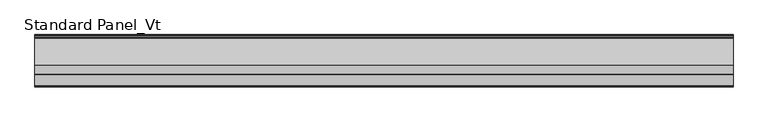
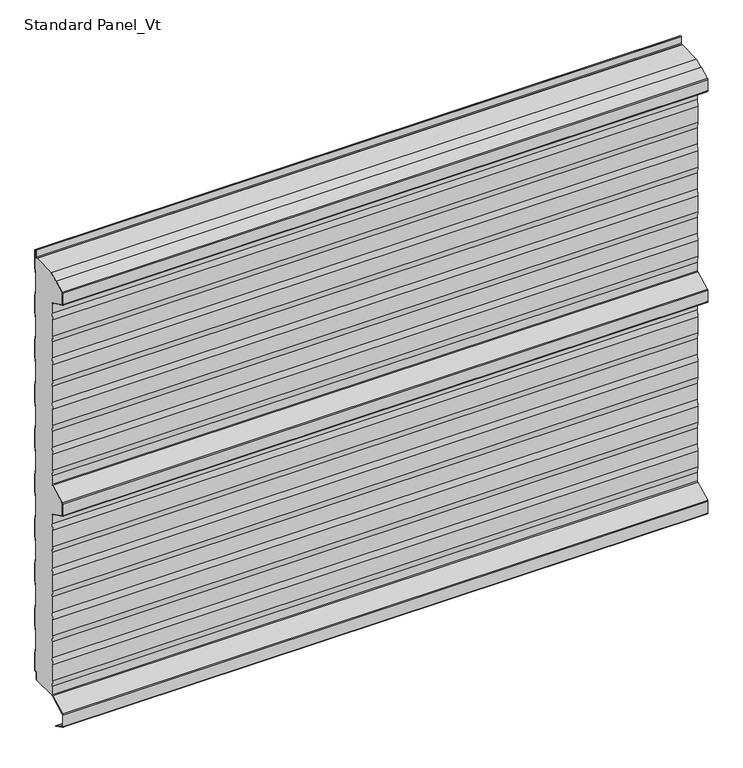
"""IFC4 building model written with IfcOpenShell, lengths in millimetres: proxy geometry, Standard Panel_Vt."""

from ifc_helpers import new_model, si_unit, point, frame, frame_2d, origin, place, context, project, spatial, polyline, circle_curve, trimmed, segment, composite_curve, outline, extrude, source, transform, mapped, element, save
from ifc_brep_helpers import plane_surface, cylinder_surface, revolved_surface, advanced_brep


def standard_panel_vt_b043ed3e(model_context):
    return source(origin(), model_context, "Body", "SolidModel", [
        advanced_brep(
        [(-723.9042608, -66.7, 964.8661831), (-723.9042608, -67.9724364, 966.9238791), (-723.9042608, -95.0045421, 980.423058), (-723.9042608, -95.7702853, 980.6504112), (-723.9042608, -97.4301555, 980.8405987), (-723.9042608, -105.9201502, 985.0802964), (-723.9042608, -106.75, 986.4222721), (-723.9042608, -106.75, 1013.5777279), (-723.9042608, -105.9201502, 1014.9197036), (-723.9042608, -64.25, 1035.7287673), (-723.9042608, -8.130172, 1035.8383571), (-723.9042608, -8.130172, 1035.0383571), (-723.9042608, -6.2001721, 1035.0383571), (-723.9042608, -4.0001723, 1037.2383568), (-723.9042608, -4.0001723, 1053.568183), (-723.9042608, -0.8, 1051.4917405), (-723.9042608, -0.8, 1010.6395671), (-723.9042608, -3.3, 995.6395671), (-723.9042608, -3.3, 957.5071471), (-723.9042608, -0.8, 942.5071471), (-723.9042608, -0.8, 904.6395671), (-723.9042608, -3.3, 889.6395671), (-723.9042608, -3.3, 851.5071471), (-723.9042608, -0.8, 836.5071471), (-723.9042608, -0.8, 798.6395671), (-723.9042608, -3.3, 783.6395671), (-723.9042608, -3.3, 745.5071471), (-723.9042608, -0.8, 730.5071471), (-723.9042608, -0.8, 692.6395671), (-723.9042608, -3.3, 677.6395671), (-723.9042608, -3.3, 639.5071471), (-723.9042608, -0.8, 624.5071471), (-723.9042608, -0.8, 586.1395671), (-723.9042608, -3.3, 571.1395671), (-723.9042608, -3.3, 533.0071471), (-723.9042608, -0.8, 518.0071471), (-723.9042608, -0.8, 480.6395671), (-723.9042608, -3.3, 465.6395671), (-723.9042608, -3.3, 427.5071471), (-723.9042608, -0.8, 412.5071471), (-723.9042608, -0.8, 374.6395671), (-723.9042608, -3.3, 359.6395671), (-723.9042608, -3.3, 321.5071471), (-723.9042608, -0.8, 306.5071471), (-723.9042608, -0.8, 268.6395671), (-723.9042608, -3.3, 253.6395671), (-723.9042608, -3.3, 215.5071471), (-723.9042608, -0.8, 200.5071471), (-723.9042608, -0.8, 162.6395671), (-723.9042608, -3.3, 147.6395671), (-723.9042608, -3.3, 109.5071471), (-723.9042608, -0.8, 94.5071471), (-723.9042608, -0.8, 53.3990389), (-723.9042608, -3.3204106, 55.0344157), (-723.9042608, -6.1001721, 53.5244265), (-723.9042608, -6.1001721, 37.9383564), (-723.9042608, -7.4001714, 36.6383571), (-723.9042608, -9.4001722, 36.6383571), (-723.9042608, -9.4001722, 35.8), (-723.9042608, -67.1622719, 35.7673446), (-723.9042608, -66.7, 37.3959608), (-723.9042608, -66.7, 57.6094989), (-723.9042608, -69.2, 72.448892), (-723.9042608, -69.2, 110.5241033), (-723.9042608, -66.7, 125.3634964), (-723.9042608, -66.7, 163.6094989), (-723.9042608, -69.2, 178.448892), (-723.9042608, -69.2, 216.5241033), (-723.9042608, -66.7, 231.3634964), (-723.9042608, -66.7, 269.6094989), (-723.9042608, -69.2, 284.448892), (-723.9042608, -69.2, 322.5241033), (-723.9042608, -66.7, 337.3634964), (-723.9042608, -66.7, 375.6094989), (-723.9042608, -69.2, 390.448892), (-723.9042608, -69.2, 428.5241033), (-723.9042608, -66.7, 443.3634964), (-723.9042608, -66.7, 463.5777279), (-723.9042608, -68.415023, 466.3511443), (-723.9042608, -105.9201502, 485.0802964), (-723.9042608, -106.75, 486.4222721), (-723.9042608, -106.75, 513.5777279), (-723.9042608, -105.9201502, 514.9197036), (-723.9042608, -68.415023, 533.6488557), (-723.9042608, -66.7, 536.4222721), (-723.9042608, -66.7, 556.6365036), (-723.9042608, -69.2, 571.4758967), (-723.9042608, -69.2, 609.551108), (-723.9042608, -66.7, 624.3905011), (-723.9042608, -66.7, 662.6365036), (-723.9042608, -69.2, 677.4758967), (-723.9042608, -69.2, 715.551108), (-723.9042608, -66.7, 730.3905011), (-723.9042608, -66.7, 768.6365036), (-723.9042608, -69.2, 783.4758967), (-723.9042608, -69.2, 821.551108), (-723.9042608, -66.7, 836.3905011), (-723.9042608, -66.7, 874.6365036), (-723.9042608, -69.2, 889.4758967), (-723.9042608, -69.2, 927.551108), (-723.9042608, -66.7, 942.3905011), (723.9042608, -66.7, 964.8661831), (723.9042608, -66.7, 942.3905011), (723.9042608, -69.2, 927.551108), (723.9042608, -69.2, 889.4758967), (723.9042608, -66.7, 874.6365036), (723.9042608, -66.7, 836.3905011), (723.9042608, -69.2, 821.551108), (723.9042608, -69.2, 783.4758967), (723.9042608, -66.7, 768.6365036), (723.9042608, -66.7, 730.3905011), (723.9042608, -69.2, 715.551108), (723.9042608, -69.2, 677.4758967), (723.9042608, -66.7, 662.6365036), (723.9042608, -66.7, 624.3905011), (723.9042608, -69.2, 609.551108), (723.9042608, -69.2, 571.4758967), (723.9042608, -66.7, 556.6365036), (723.9042608, -66.7, 536.4222721), (723.9042608, -68.415023, 533.6488557), (723.9042608, -105.9201502, 514.9197036), (723.9042608, -106.75, 513.5777279), (723.9042608, -106.75, 486.4222721), (723.9042608, -105.9201502, 485.0802964), (723.9042608, -68.415023, 466.3511443), (723.9042608, -66.7, 463.5777279), (723.9042608, -66.7, 443.3634964), (723.9042608, -69.2, 428.5241033), (723.9042608, -69.2, 390.448892), (723.9042608, -66.7, 375.6094989), (723.9042608, -66.7, 337.3634964), (723.9042608, -69.2, 322.5241033), (723.9042608, -69.2, 284.448892), (723.9042608, -66.7, 269.6094989), (723.9042608, -66.7, 231.3634964), (723.9042608, -69.2, 216.5241033), (723.9042608, -69.2, 178.448892), (723.9042608, -66.7, 163.6094989), (723.9042608, -66.7, 125.3634964), (723.9042608, -69.2, 110.5241033), (723.9042608, -69.2, 72.448892), (723.9042608, -66.7, 57.6094989), (723.9042608, -66.7, 37.3959608), (723.9042608, -67.1622719, 35.7673446), (723.9042608, -9.4001722, 35.8), (723.9042608, -9.4001722, 36.6383571), (723.9042608, -7.4001714, 36.6383571), (723.9042608, -6.1001721, 37.9383564), (723.9042608, -6.1001721, 53.5244265), (723.9042608, -3.3204106, 55.0344157), (723.9042608, -0.8, 53.3990389), (723.9042608, -0.8, 94.5071471), (723.9042608, -3.3, 109.5071471), (723.9042608, -3.3, 147.6395671), (723.9042608, -0.8, 162.6395671), (723.9042608, -0.8, 200.5071471), (723.9042608, -3.3, 215.5071471), (723.9042608, -3.3, 253.6395671), (723.9042608, -0.8, 268.6395671), (723.9042608, -0.8, 306.5071471), (723.9042608, -3.3, 321.5071471), (723.9042608, -3.3, 359.6395671), (723.9042608, -0.8, 374.6395671), (723.9042608, -0.8, 412.5071471), (723.9042608, -3.3, 427.5071471), (723.9042608, -3.3, 465.6395671), (723.9042608, -0.8, 480.6395671), (723.9042608, -0.8, 518.0071471), (723.9042608, -3.3, 533.0071471), (723.9042608, -3.3, 571.1395671), (723.9042608, -0.8, 586.1395671), (723.9042608, -0.8, 624.5071471), (723.9042608, -3.3, 639.5071471), (723.9042608, -3.3, 677.6395671), (723.9042608, -0.8, 692.6395671), (723.9042608, -0.8, 730.5071471), (723.9042608, -3.3, 745.5071471), (723.9042608, -3.3, 783.6395671), (723.9042608, -0.8, 798.6395671), (723.9042608, -0.8, 836.5071471), (723.9042608, -3.3, 851.5071471), (723.9042608, -3.3, 889.6395671), (723.9042608, -0.8, 904.6395671), (723.9042608, -0.8, 942.5071471), (723.9042608, -3.3, 957.5071471), (723.9042608, -3.3, 995.6395671), (723.9042608, -0.8, 1010.6395671), (723.9042608, -0.8, 1051.4917405), (723.9042608, -4.0001723, 1053.568183), (723.9042608, -4.0001723, 1037.2383568), (723.9042608, -6.2001721, 1035.0383571), (723.9042608, -8.130172, 1035.0383571), (723.9042608, -8.130172, 1035.8383571), (723.9042608, -64.25, 1035.8), (723.9042608, -105.9201502, 1014.9197036), (723.9042608, -106.75, 1013.5777279), (723.9042608, -106.75, 986.4222721), (723.9042608, -105.9201502, 985.0802964), (723.9042608, -97.4301555, 980.8405987), (723.9042608, -95.7702853, 980.6504112), (723.9042608, -95.0045421, 980.423058), (723.9042608, -67.9724364, 966.9238791)],
        [
            (0, 1, circle_curve(frame((-723.9042608, -69.0, 964.8661831), z_axis=(1.0, 0.0, 0.0), x_axis=(0.0, 0.0, 1.0)), 2.3)),
            (1, 2),
            (2, 3, circle_curve(frame((-723.9042608, -96.0321057, 978.3653619), z_axis=(1.0, 0.0, 0.0), x_axis=(0.0, 0.0, 1.0)), 2.3)),
            (3, 4),
            (4, 5),
            (5, 6, circle_curve(frame((-723.9042608, -105.25, 986.4222721), z_axis=(-1.0, 0.0, 0.0), x_axis=(0.0, 0.0, 1.0)), 1.5)),
            (6, 7),
            (7, 8, circle_curve(frame((-723.9042608, -105.25, 1013.5777279), z_axis=(-1.0, 0.0, 0.0), x_axis=(0.0, 0.0, 1.0)), 1.5)),
            (8, 9),
            (9, 10),
            (10, 11),
            (11, 12),
            (12, 13, circle_curve(frame((-723.9042608, -6.2001721, 1037.2383568), z_axis=(1.0, 0.0, 0.0), x_axis=(0.0, 0.0, 1.0)), 2.1999997)),
            (13, 14),
            (14, 15),
            (15, 16),
            (16, 17),
            (17, 18),
            (18, 19),
            (19, 20),
            (20, 21),
            (21, 22),
            (22, 23),
            (23, 24),
            (24, 25),
            (25, 26),
            (26, 27),
            (27, 28),
            (28, 29),
            (29, 30),
            (30, 31),
            (31, 32),
            (32, 33),
            (33, 34),
            (34, 35),
            (35, 36),
            (36, 37),
            (37, 38),
            (38, 39),
            (39, 40),
            (40, 41),
            (41, 42),
            (42, 43),
            (43, 44),
            (44, 45),
            (45, 46),
            (46, 47),
            (47, 48),
            (48, 49),
            (49, 50),
            (50, 51),
            (51, 52),
            (52, 53),
            (53, 54, circle_curve(frame((-723.9042608, -4.3001721, 53.5244265), z_axis=(1.0, 0.0, 0.0), x_axis=(0.0, 0.0, 1.0)), 1.8)),
            (54, 55),
            (55, 56, circle_curve(frame((-723.9042608, -7.4001714, 37.9383564), z_axis=(-1.0, 0.0, 0.0), x_axis=(0.0, 0.0, 1.0)), 1.2999993)),
            (56, 57),
            (57, 58),
            (58, 59),
            (59, 60, circle_curve(frame((-723.9042608, -69.8, 37.3959608), z_axis=(1.0, 0.0, 0.0), x_axis=(0.0, 0.0, 1.0)), 3.1)),
            (60, 61),
            (61, 62),
            (62, 63),
            (63, 64),
            (64, 65),
            (65, 66),
            (66, 67),
            (67, 68),
            (68, 69),
            (69, 70),
            (70, 71),
            (71, 72),
            (72, 73),
            (73, 74),
            (74, 75),
            (75, 76),
            (76, 77),
            (77, 78, circle_curve(frame((-723.9042608, -69.8, 463.5777279), z_axis=(1.0, 0.0, 0.0), x_axis=(0.0, 0.0, 1.0)), 3.1)),
            (78, 79),
            (79, 80, circle_curve(frame((-723.9042608, -105.25, 486.4222721), z_axis=(-1.0, 0.0, 0.0), x_axis=(0.0, 0.0, 1.0)), 1.5)),
            (80, 81),
            (81, 82, circle_curve(frame((-723.9042608, -105.25, 513.5777279), z_axis=(-1.0, 0.0, 0.0), x_axis=(0.0, 0.0, 1.0)), 1.5)),
            (82, 83),
            (83, 84, circle_curve(frame((-723.9042608, -69.8, 536.4222721), z_axis=(1.0, 0.0, 0.0), x_axis=(0.0, 0.0, 1.0)), 3.1)),
            (84, 85),
            (85, 86),
            (86, 87),
            (87, 88),
            (88, 89),
            (89, 90),
            (90, 91),
            (91, 92),
            (92, 93),
            (93, 94),
            (94, 95),
            (95, 96),
            (96, 97),
            (97, 98),
            (98, 99),
            (99, 100),
            (100, 0),
            (101, 102),
            (102, 103),
            (103, 104),
            (104, 105),
            (105, 106),
            (106, 107),
            (107, 108),
            (108, 109),
            (109, 110),
            (110, 111),
            (111, 112),
            (112, 113),
            (113, 114),
            (114, 115),
            (115, 116),
            (116, 117),
            (117, 118),
            (118, 119, circle_curve(frame((723.9042608, -69.8, 536.4222721), z_axis=(-1.0, 0.0, 0.0), x_axis=(0.0, 0.0, 1.0)), 3.1)),
            (119, 120),
            (120, 121, circle_curve(frame((723.9042608, -105.25, 513.5777279), z_axis=(1.0, 0.0, 0.0), x_axis=(0.0, 0.0, 1.0)), 1.5)),
            (121, 122),
            (122, 123, circle_curve(frame((723.9042608, -105.25, 486.4222721), z_axis=(1.0, 0.0, 0.0), x_axis=(0.0, 0.0, 1.0)), 1.5)),
            (123, 124),
            (124, 125, circle_curve(frame((723.9042608, -69.8, 463.5777279), z_axis=(-1.0, 0.0, 0.0), x_axis=(0.0, 0.0, 1.0)), 3.1)),
            (125, 126),
            (126, 127),
            (127, 128),
            (128, 129),
            (129, 130),
            (130, 131),
            (131, 132),
            (132, 133),
            (133, 134),
            (134, 135),
            (135, 136),
            (136, 137),
            (137, 138),
            (138, 139),
            (139, 140),
            (140, 141),
            (141, 142),
            (142, 143, circle_curve(frame((723.9042608, -69.8, 37.3959608), z_axis=(-1.0, 0.0, 0.0), x_axis=(0.0, 0.0, 1.0)), 3.1)),
            (143, 144),
            (144, 145),
            (145, 146),
            (146, 147, circle_curve(frame((723.9042608, -7.4001714, 37.9383564), z_axis=(1.0, 0.0, 0.0), x_axis=(0.0, 0.0, 1.0)), 1.2999993)),
            (147, 148),
            (148, 149, circle_curve(frame((723.9042608, -4.3001721, 53.5244265), z_axis=(-1.0, 0.0, 0.0), x_axis=(0.0, 0.0, 1.0)), 1.8)),
            (149, 150),
            (150, 151),
            (151, 152),
            (152, 153),
            (153, 154),
            (154, 155),
            (155, 156),
            (156, 157),
            (157, 158),
            (158, 159),
            (159, 160),
            (160, 161),
            (161, 162),
            (162, 163),
            (163, 164),
            (164, 165),
            (165, 166),
            (166, 167),
            (167, 168),
            (168, 169),
            (169, 170),
            (170, 171),
            (171, 172),
            (172, 173),
            (173, 174),
            (174, 175),
            (175, 176),
            (176, 177),
            (177, 178),
            (178, 179),
            (179, 180),
            (180, 181),
            (181, 182),
            (182, 183),
            (183, 184),
            (184, 185),
            (185, 186),
            (186, 187),
            (187, 188),
            (188, 189),
            (189, 190, circle_curve(frame((723.9042608, -6.2001721, 1037.2383568), z_axis=(-1.0, 0.0, 0.0), x_axis=(0.0, 0.0, 1.0)), 2.1999997)),
            (190, 191),
            (191, 192),
            (192, 193),
            (193, 194),
            (194, 195, circle_curve(frame((723.9042608, -105.25, 1013.5777279), z_axis=(1.0, 0.0, 0.0), x_axis=(0.0, 0.0, 1.0)), 1.5)),
            (195, 196),
            (196, 197, circle_curve(frame((723.9042608, -105.25, 986.4222721), z_axis=(1.0, 0.0, 0.0), x_axis=(0.0, 0.0, 1.0)), 1.5)),
            (197, 198),
            (198, 199),
            (199, 200, circle_curve(frame((723.9042608, -96.0321057, 978.3653619), z_axis=(-1.0, 0.0, 0.0), x_axis=(0.0, 0.0, 1.0)), 2.3)),
            (200, 201),
            (201, 101, circle_curve(frame((723.9042608, -69.0, 964.8661831), z_axis=(-1.0, 0.0, 0.0), x_axis=(0.0, 0.0, 1.0)), 2.3)),
            (0, 101),
            (201, 1),
            (200, 2),
            (199, 3),
            (198, 4),
            (197, 5),
            (196, 6),
            (195, 7),
            (194, 8),
            (193, 9),
            (58, 144),
            (143, 59),
            (142, 60),
            (141, 61),
            (140, 62),
            (139, 63),
            (138, 64),
            (137, 65),
            (136, 66),
            (135, 67),
            (134, 68),
            (133, 69),
            (132, 70),
            (131, 71),
            (130, 72),
            (129, 73),
            (128, 74),
            (127, 75),
            (126, 76),
            (125, 77),
            (124, 78),
            (123, 79),
            (122, 80),
            (121, 81),
            (120, 82),
            (119, 83),
            (118, 84),
            (117, 85),
            (116, 86),
            (115, 87),
            (114, 88),
            (113, 89),
            (112, 90),
            (111, 91),
            (110, 92),
            (109, 93),
            (108, 94),
            (107, 95),
            (106, 96),
            (105, 97),
            (104, 98),
            (103, 99),
            (102, 100),
            (192, 10),
            (57, 145),
            (12, 190),
            (189, 13),
            (188, 14),
            (187, 15),
            (186, 16),
            (185, 17),
            (184, 18),
            (183, 19),
            (182, 20),
            (181, 21),
            (180, 22),
            (179, 23),
            (178, 24),
            (177, 25),
            (176, 26),
            (175, 27),
            (174, 28),
            (173, 29),
            (172, 30),
            (171, 31),
            (170, 32),
            (169, 33),
            (168, 34),
            (167, 35),
            (166, 36),
            (165, 37),
            (164, 38),
            (163, 39),
            (162, 40),
            (161, 41),
            (160, 42),
            (159, 43),
            (158, 44),
            (157, 45),
            (156, 46),
            (155, 47),
            (154, 48),
            (153, 49),
            (152, 50),
            (151, 51),
            (150, 52),
            (149, 53),
            (148, 54),
            (147, 55),
            (146, 56),
            (191, 11),
        ],
        [
            plane_surface(frame((-723.9042608, -69.2, 500.0), z_axis=(-1.0, 0.0, 0.0), x_axis=(0.0, 1.0, 0.0))),
            plane_surface(frame((723.9042608, -69.2, 500.0), z_axis=(1.0, 0.0, 0.0), x_axis=(0.0, 1.0, 0.0))),
            revolved_surface(polyline([(723.9042608, -69.0, 967.1661830999999), (-723.9042608, -69.0, 967.1661830999999)]), (-723.9042608, -69.0, 964.8661831), (1.0, 0.0, 0.0)),
            plane_surface(frame((-723.9042608, -95.0045421, 980.423058), z_axis=(0.0, -0.44676677293789996, -0.8946504628058127), x_axis=(1.0, 0.0, 0.0))),
            revolved_surface(polyline([(723.9042608, -96.0321057, 980.6653619), (-723.9042608, -96.0321057, 980.6653619)]), (-723.9042608, -96.0321057, 978.3653619), (1.0, 0.0, 0.0)),
            plane_surface(frame((-723.9042608, -97.4301555, 980.8405987), z_axis=(0.0, -0.11383496024223502, -0.9934996737929253), x_axis=(1.0, 0.0, 0.0))),
            plane_surface(frame((-723.9042608, -105.9201502, 985.0802964), z_axis=(0.0, -0.44676677293837186, -0.8946504628055771), x_axis=(1.0, 0.0, 0.0))),
            cylinder_surface(frame((-723.9042608, -105.25, 986.4222721), z_axis=(-1.0, 0.0, 0.0), x_axis=(0.0, 0.0, 1.0)), 1.5),
            plane_surface(frame((-723.9042608, -106.75, 1013.5777279), z_axis=(0.0, -1.0, 0.0), x_axis=(1.0, 0.0, 0.0))),
            cylinder_surface(frame((-723.9042608, -105.25, 1013.5777279), z_axis=(-1.0, 0.0, 0.0), x_axis=(0.0, 0.0, 1.0)), 1.5),
            plane_surface(frame((-723.9042608, -64.25, 1035.7287673), z_axis=(0.0, -0.44676677293660805, 0.8946504628064579), x_axis=(1.0, 0.0, 0.0))),
            plane_surface(frame((-723.9042608, -67.1622719, 35.7673446), z_axis=(0.0, 0.0, -1.0), x_axis=(1.0, 0.0, 0.0))),
            revolved_surface(polyline([(723.9042608, -69.8, 40.4959608), (-723.9042608, -69.8, 40.4959608)]), (-723.9042608, -69.8, 37.3959608), (1.0, 0.0, 0.0)),
            plane_surface(frame((-723.9042608, -66.7, 57.6094989), z_axis=(0.0, -1.0, 0.0), x_axis=(1.0, 0.0, 0.0))),
            plane_surface(frame((-723.9042608, -69.2, 72.448892), z_axis=(0.0, -0.9861039564577467, -0.16612942863435845), x_axis=(1.0, 0.0, 0.0))),
            plane_surface(frame((-723.9042608, -69.2, 110.5241033), z_axis=(0.0, -1.0, 0.0), x_axis=(1.0, 0.0, 0.0))),
            plane_surface(frame((-723.9042608, -66.7, 125.3634964), z_axis=(0.0, -0.9861039564577161, 0.1661294286345407), x_axis=(1.0, 0.0, 0.0))),
            plane_surface(frame((-723.9042608, -66.7, 163.6094989), z_axis=(0.0, -1.0, 0.0), x_axis=(1.0, 0.0, 0.0))),
            plane_surface(frame((-723.9042608, -69.2, 178.448892), z_axis=(0.0, -0.986103956457719, -0.16612942863452348), x_axis=(1.0, 0.0, 0.0))),
            plane_surface(frame((-723.9042608, -69.2, 216.5241033), z_axis=(0.0, -1.0, 0.0), x_axis=(1.0, 0.0, 0.0))),
            plane_surface(frame((-723.9042608, -66.7, 231.3634964), z_axis=(0.0, -0.9861039564577161, 0.1661294286345407), x_axis=(1.0, 0.0, 0.0))),
            plane_surface(frame((-723.9042608, -66.7, 269.6094989), z_axis=(0.0, -1.0, 0.0), x_axis=(1.0, 0.0, 0.0))),
            plane_surface(frame((-723.9042608, -69.2, 284.448892), z_axis=(0.0, -0.9861039564577467, -0.16612942863435845), x_axis=(1.0, 0.0, 0.0))),
            plane_surface(frame((-723.9042608, -69.2, 322.5241033), z_axis=(0.0, -1.0, 0.0), x_axis=(1.0, 0.0, 0.0))),
            plane_surface(frame((-723.9042608, -66.7, 337.3634964), z_axis=(0.0, -0.9861039564576843, 0.1661294286347293), x_axis=(1.0, 0.0, 0.0))),
            plane_surface(frame((-723.9042608, -66.7, 375.6094989), z_axis=(0.0, -1.0, 0.0), x_axis=(1.0, 0.0, 0.0))),
            plane_surface(frame((-723.9042608, -69.2, 390.448892), z_axis=(0.0, -0.986103956457719, -0.16612942863452348), x_axis=(1.0, 0.0, 0.0))),
            plane_surface(frame((-723.9042608, -69.2, 428.5241033), z_axis=(0.0, -1.0, 0.0), x_axis=(1.0, 0.0, 0.0))),
            plane_surface(frame((-723.9042608, -66.7, 443.3634964), z_axis=(0.0, -0.9861039564577478, 0.16612942863435207), x_axis=(1.0, 0.0, 0.0))),
            plane_surface(frame((-723.9042608, -66.7, 463.5777279), z_axis=(0.0, -1.0, 0.0), x_axis=(1.0, 0.0, 0.0))),
            revolved_surface(polyline([(723.9042608, -69.8, 466.67772790000004), (-723.9042608, -69.8, 466.67772790000004)]), (-723.9042608, -69.8, 463.5777279), (1.0, 0.0, 0.0)),
            plane_surface(frame((-723.9042608, -105.9201502, 485.0802964), z_axis=(0.0, -0.44676677293736405, -0.8946504628060804), x_axis=(1.0, 0.0, 0.0))),
            cylinder_surface(frame((-723.9042608, -105.25, 486.4222721), z_axis=(-1.0, 0.0, 0.0), x_axis=(0.0, 0.0, 1.0)), 1.5),
            plane_surface(frame((-723.9042608, -106.75, 513.5777279), z_axis=(0.0, -1.0, 0.0), x_axis=(1.0, 0.0, 0.0))),
            cylinder_surface(frame((-723.9042608, -105.25, 513.5777279), z_axis=(-1.0, 0.0, 0.0), x_axis=(0.0, 0.0, 1.0)), 1.5),
            plane_surface(frame((-723.9042608, -68.415023, 533.6488557), z_axis=(0.0, -0.4467667729375559, 0.8946504628059846), x_axis=(1.0, 0.0, 0.0))),
            revolved_surface(polyline([(723.9042608, -69.8, 539.5222721), (-723.9042608, -69.8, 539.5222721)]), (-723.9042608, -69.8, 536.4222721), (1.0, 0.0, 0.0)),
            plane_surface(frame((-723.9042608, -66.7, 556.6365036), z_axis=(0.0, -1.0, 0.0), x_axis=(1.0, 0.0, 0.0))),
            plane_surface(frame((-723.9042608, -69.2, 571.4758967), z_axis=(0.0, -0.9861039564577035, -0.16612942863461475), x_axis=(1.0, 0.0, 0.0))),
            plane_surface(frame((-723.9042608, -69.2, 609.551108), z_axis=(0.0, -1.0, 0.0), x_axis=(1.0, 0.0, 0.0))),
            plane_surface(frame((-723.9042608, -66.7, 624.3905011), z_axis=(0.0, -0.9861039564576689, 0.16612942863482055), x_axis=(1.0, 0.0, 0.0))),
            plane_surface(frame((-723.9042608, -66.7, 662.6365036), z_axis=(0.0, -1.0, 0.0), x_axis=(1.0, 0.0, 0.0))),
            plane_surface(frame((-723.9042608, -69.2, 677.4758967), z_axis=(0.0, -0.986103956457711, -0.16612942863457064), x_axis=(1.0, 0.0, 0.0))),
            plane_surface(frame((-723.9042608, -69.2, 715.551108), z_axis=(0.0, -1.0, 0.0), x_axis=(1.0, 0.0, 0.0))),
            plane_surface(frame((-723.9042608, -66.7, 730.3905011), z_axis=(0.0, -0.9861039564577478, 0.16612942863435207), x_axis=(1.0, 0.0, 0.0))),
            plane_surface(frame((-723.9042608, -66.7, 768.6365036), z_axis=(0.0, -1.0, 0.0), x_axis=(1.0, 0.0, 0.0))),
            plane_surface(frame((-723.9042608, -69.2, 783.4758967), z_axis=(0.0, -0.986103956457715, -0.16612942863454708), x_axis=(1.0, 0.0, 0.0))),
            plane_surface(frame((-723.9042608, -69.2, 821.551108), z_axis=(0.0, -1.0, 0.0), x_axis=(1.0, 0.0, 0.0))),
            plane_surface(frame((-723.9042608, -66.7, 836.3905011), z_axis=(0.0, -0.9861039564577161, 0.1661294286345407), x_axis=(1.0, 0.0, 0.0))),
            plane_surface(frame((-723.9042608, -66.7, 874.6365036), z_axis=(0.0, -1.0, 0.0), x_axis=(1.0, 0.0, 0.0))),
            plane_surface(frame((-723.9042608, -69.2, 889.4758967), z_axis=(0.0, -0.986103956457715, -0.16612942863454708), x_axis=(1.0, 0.0, 0.0))),
            plane_surface(frame((-723.9042608, -69.2, 927.551108), z_axis=(0.0, -1.0, 0.0), x_axis=(1.0, 0.0, 0.0))),
            plane_surface(frame((-723.9042608, -66.7, 942.3905011), z_axis=(0.0, -0.9861039564576843, 0.1661294286347293), x_axis=(1.0, 0.0, 0.0))),
            plane_surface(frame((-723.9042608, -66.7, 964.8661831), z_axis=(0.0, -1.0, 0.0), x_axis=(1.0, 0.0, 0.0))),
            plane_surface(frame((723.9042608, -64.25, 1035.8), z_axis=(0.0, 0.0, 1.0), x_axis=(-1.0, 0.0, 0.0))),
            plane_surface(frame((723.9042608, -9.4001722, 1035.8), z_axis=(0.0, 1.0, 0.0), x_axis=(-1.0, 0.0, 0.0))),
            revolved_surface(polyline([(723.9042608, -6.2001721, 1039.4383565), (-723.9042608, -6.2001721, 1039.4383565)]), (-723.9042608, -6.2001721, 1037.2383568), (1.0, 0.0, 0.0)),
            plane_surface(frame((-723.9042608, -4.0001723, 1053.568183), z_axis=(0.0, -1.0, 0.0), x_axis=(1.0, 0.0, 0.0))),
            plane_surface(frame((-723.9042608, -0.8, 1051.4917405), z_axis=(0.0, 0.5443119480328179, 0.8388828900560071), x_axis=(1.0, 0.0, 0.0))),
            plane_surface(frame((-723.9042608, -0.8, 1010.6395671), z_axis=(0.0, 1.0, 0.0), x_axis=(1.0, 0.0, 0.0))),
            plane_surface(frame((-723.9042608, -3.3, 995.6395671), z_axis=(0.0, 0.9863939238321534, -0.16439898730529956), x_axis=(1.0, 0.0, 0.0))),
            plane_surface(frame((-723.9042608, -3.3, 957.5071471), z_axis=(0.0, 1.0, 0.0), x_axis=(1.0, 0.0, 0.0))),
            plane_surface(frame((-723.9042608, -0.8, 942.5071471), z_axis=(0.0, 0.9863939238321456, 0.1643989873053465), x_axis=(1.0, 0.0, 0.0))),
            plane_surface(frame((-723.9042608, -0.8, 904.6395671), z_axis=(0.0, 1.0, 0.0), x_axis=(1.0, 0.0, 0.0))),
            plane_surface(frame((-723.9042608, -3.3, 889.6395671), z_axis=(0.0, 0.9863939238321452, -0.16439898730534863), x_axis=(1.0, 0.0, 0.0))),
            plane_surface(frame((-723.9042608, -3.3, 851.5071471), z_axis=(0.0, 1.0, 0.0), x_axis=(1.0, 0.0, 0.0))),
            plane_surface(frame((-723.9042608, -0.8, 836.5071471), z_axis=(0.0, 0.9863939238321413, 0.16439898730537209), x_axis=(1.0, 0.0, 0.0))),
            plane_surface(frame((-723.9042608, -0.8, 798.6395671), z_axis=(0.0, 1.0, 0.0), x_axis=(1.0, 0.0, 0.0))),
            plane_surface(frame((-723.9042608, -3.3, 783.6395671), z_axis=(0.0, 0.9863939238321713, -0.164398987305192), x_axis=(1.0, 0.0, 0.0))),
            plane_surface(frame((-723.9042608, -3.3, 745.5071471), z_axis=(0.0, 1.0, 0.0), x_axis=(1.0, 0.0, 0.0))),
            plane_surface(frame((-723.9042608, -0.8, 730.5071471), z_axis=(0.0, 0.9863939238321595, 0.16439898730526276), x_axis=(1.0, 0.0, 0.0))),
            plane_surface(frame((-723.9042608, -0.8, 692.6395671), z_axis=(0.0, 1.0, 0.0), x_axis=(1.0, 0.0, 0.0))),
            plane_surface(frame((-723.9042608, -3.3, 677.6395671), z_axis=(0.0, 0.9863939238321285, -0.16439898730544858), x_axis=(1.0, 0.0, 0.0))),
            plane_surface(frame((-723.9042608, -3.3, 639.5071471), z_axis=(0.0, 1.0, 0.0), x_axis=(1.0, 0.0, 0.0))),
            plane_surface(frame((-723.9042608, -0.8, 624.5071471), z_axis=(0.0, 0.986393923832452, 0.16439898730350827), x_axis=(1.0, 0.0, 0.0))),
            plane_surface(frame((-723.9042608, -0.8, 586.1395671), z_axis=(0.0, 1.0, 0.0), x_axis=(1.0, 0.0, 0.0))),
            plane_surface(frame((-723.9042608, -3.3, 571.1395671), z_axis=(0.0, 0.986393923832151, -0.16439898730531435), x_axis=(1.0, 0.0, 0.0))),
            plane_surface(frame((-723.9042608, -3.3, 533.0071471), z_axis=(0.0, 1.0, 0.0), x_axis=(1.0, 0.0, 0.0))),
            plane_surface(frame((-723.9042608, -0.8, 518.0071471), z_axis=(0.0, 0.9863939238329182, 0.1643989873007107), x_axis=(1.0, 0.0, 0.0))),
            plane_surface(frame((-723.9042608, -0.8, 480.6395671), z_axis=(0.0, 1.0, 0.0), x_axis=(1.0, 0.0, 0.0))),
            plane_surface(frame((-723.9042608, -3.3, 465.6395671), z_axis=(0.0, 0.986393923832576, -0.1643989873027638), x_axis=(1.0, 0.0, 0.0))),
            plane_surface(frame((-723.9042608, -3.3, 427.5071471), z_axis=(0.0, 1.0, 0.0), x_axis=(1.0, 0.0, 0.0))),
            plane_surface(frame((-723.9042608, -0.8, 412.5071471), z_axis=(0.0, 0.9863939238321462, 0.1643989873053435), x_axis=(1.0, 0.0, 0.0))),
            plane_surface(frame((-723.9042608, -0.8, 374.6395671), z_axis=(0.0, 1.0, 0.0), x_axis=(1.0, 0.0, 0.0))),
            plane_surface(frame((-723.9042608, -3.3, 359.6395671), z_axis=(0.0, 0.9863939238321415, -0.16439898730537109), x_axis=(1.0, 0.0, 0.0))),
            plane_surface(frame((-723.9042608, -3.3, 321.5071471), z_axis=(0.0, 1.0, 0.0), x_axis=(1.0, 0.0, 0.0))),
            plane_surface(frame((-723.9042608, -0.8, 306.5071471), z_axis=(0.0, 0.9863939238321462, 0.1643989873053435), x_axis=(1.0, 0.0, 0.0))),
            plane_surface(frame((-723.9042608, -0.8, 268.6395671), z_axis=(0.0, 1.0, 0.0), x_axis=(1.0, 0.0, 0.0))),
            plane_surface(frame((-723.9042608, -3.3, 253.6395671), z_axis=(0.0, 0.9863939238321723, -0.16439898730518634), x_axis=(1.0, 0.0, 0.0))),
            plane_surface(frame((-723.9042608, -3.3, 215.5071471), z_axis=(0.0, 1.0, 0.0), x_axis=(1.0, 0.0, 0.0))),
            plane_surface(frame((-723.9042608, -0.8, 200.5071471), z_axis=(0.0, 0.9863939238321462, 0.1643989873053435), x_axis=(1.0, 0.0, 0.0))),
            plane_surface(frame((-723.9042608, -0.8, 162.6395671), z_axis=(0.0, 1.0, 0.0), x_axis=(1.0, 0.0, 0.0))),
            plane_surface(frame((-723.9042608, -3.3, 147.6395671), z_axis=(0.0, 0.9863939238321415, -0.16439898730537109), x_axis=(1.0, 0.0, 0.0))),
            plane_surface(frame((-723.9042608, -3.3, 109.5071471), z_axis=(0.0, 1.0, 0.0), x_axis=(1.0, 0.0, 0.0))),
            plane_surface(frame((-723.9042608, -0.8, 94.5071471), z_axis=(0.0, 0.9863939238321769, 0.16439898730515876), x_axis=(1.0, 0.0, 0.0))),
            plane_surface(frame((-723.9042608, -0.8, 53.3990389), z_axis=(0.0, 1.0, 0.0), x_axis=(1.0, 0.0, 0.0))),
            plane_surface(frame((-723.9042608, -3.3204106, 55.0344157), z_axis=(0.0, -0.5443119480359504, -0.8388828900539747), x_axis=(1.0, 0.0, 0.0))),
            revolved_surface(polyline([(723.9042608, -4.3001721, 55.324426499999994), (-723.9042608, -4.3001721, 55.324426499999994)]), (-723.9042608, -4.3001721, 53.5244265), (1.0, 0.0, 0.0)),
            plane_surface(frame((-723.9042608, -6.1001721, 37.9383564), z_axis=(0.0, 1.0, 0.0), x_axis=(1.0, 0.0, 0.0))),
            cylinder_surface(frame((-723.9042608, -7.4001714, 37.9383564), z_axis=(-1.0, 0.0, 0.0), x_axis=(0.0, 0.0, 1.0)), 1.2999993),
            plane_surface(frame((-723.9042608, -9.4001722, 36.6383571), z_axis=(0.0, 0.0, -1.0), x_axis=(1.0, 0.0, 0.0))),
            plane_surface(frame((-723.9042608, -8.130172, 1035.0383571), z_axis=(0.0, 1.0, 0.0), x_axis=(1.0, 0.0, 0.0))),
            plane_surface(frame((-723.9042608, -6.2001721, 1035.0383571), z_axis=(0.0, 0.0, 1.0), x_axis=(1.0, 0.0, 0.0))),
        ],
        [
            (0, [[1, 2, 3, 4, 5, 6, 7, 8, 9, 10, 11, 12, 13, 14, 15, 16, 17, 18, 19, 20, 21, 22, 23, 24, 25, 26, 27, 28, 29, 30, 31, 32, 33, 34, 35, 36, 37, 38, 39, 40, 41, 42, 43, 44, 45, 46, 47, 48, 49, 50, 51, 52, 53, 54, 55, 56, 57, 58, 59, 60, 61, 62, 63, 64, 65, 66, 67, 68, 69, 70, 71, 72, 73, 74, 75, 76, 77, 78, 79, 80, 81, 82, 83, 84, 85, 86, 87, 88, 89, 90, 91, 92, 93, 94, 95, 96, 97, 98, 99, 100, 101]]),
            (1, [[102, 103, 104, 105, 106, 107, 108, 109, 110, 111, 112, 113, 114, 115, 116, 117, 118, 119, 120, 121, 122, 123, 124, 125, 126, 127, 128, 129, 130, 131, 132, 133, 134, 135, 136, 137, 138, 139, 140, 141, 142, 143, 144, 145, 146, 147, 148, 149, 150, 151, 152, 153, 154, 155, 156, 157, 158, 159, 160, 161, 162, 163, 164, 165, 166, 167, 168, 169, 170, 171, 172, 173, 174, 175, 176, 177, 178, 179, 180, 181, 182, 183, 184, 185, 186, 187, 188, 189, 190, 191, 192, 193, 194, 195, 196, 197, 198, 199, 200, 201, 202]]),
            (2, [[203, -202, 204, -1]]),
            (3, [[-204, -201, 205, -2]]),
            (4, [[-205, -200, 206, -3]]),
            (5, [[-206, -199, 207, -4]]),
            (6, [[-207, -198, 208, -5]]),
            (7, [[-208, -197, 209, -6]]),
            (8, [[-209, -196, 210, -7]]),
            (9, [[-210, -195, 211, -8]]),
            (10, [[-211, -194, 212, -9]]),
            (11, [[-59, 213, -144, 214]]),
            (12, [[-214, -143, 215, -60]]),
            (13, [[-215, -142, 216, -61]]),
            (14, [[-216, -141, 217, -62]]),
            (15, [[-217, -140, 218, -63]]),
            (16, [[-218, -139, 219, -64]]),
            (17, [[-219, -138, 220, -65]]),
            (18, [[-220, -137, 221, -66]]),
            (19, [[-221, -136, 222, -67]]),
            (20, [[-222, -135, 223, -68]]),
            (21, [[-223, -134, 224, -69]]),
            (22, [[-224, -133, 225, -70]]),
            (23, [[-225, -132, 226, -71]]),
            (24, [[-226, -131, 227, -72]]),
            (25, [[-227, -130, 228, -73]]),
            (26, [[-228, -129, 229, -74]]),
            (27, [[-229, -128, 230, -75]]),
            (28, [[-230, -127, 231, -76]]),
            (29, [[-231, -126, 232, -77]]),
            (30, [[-232, -125, 233, -78]]),
            (31, [[-233, -124, 234, -79]]),
            (32, [[-234, -123, 235, -80]]),
            (33, [[-235, -122, 236, -81]]),
            (34, [[-236, -121, 237, -82]]),
            (35, [[-237, -120, 238, -83]]),
            (36, [[-238, -119, 239, -84]]),
            (37, [[-239, -118, 240, -85]]),
            (38, [[-240, -117, 241, -86]]),
            (39, [[-241, -116, 242, -87]]),
            (40, [[-242, -115, 243, -88]]),
            (41, [[-243, -114, 244, -89]]),
            (42, [[-244, -113, 245, -90]]),
            (43, [[-245, -112, 246, -91]]),
            (44, [[-246, -111, 247, -92]]),
            (45, [[-247, -110, 248, -93]]),
            (46, [[-248, -109, 249, -94]]),
            (47, [[-249, -108, 250, -95]]),
            (48, [[-250, -107, 251, -96]]),
            (49, [[-251, -106, 252, -97]]),
            (50, [[-252, -105, 253, -98]]),
            (51, [[-253, -104, 254, -99]]),
            (52, [[-254, -103, 255, -100]]),
            (53, [[-255, -102, -203, -101]]),
            (54, [[256, -10, -212, -193]]),
            (55, [[-58, 257, -145, -213]]),
            (56, [[258, -190, 259, -13]]),
            (57, [[-259, -189, 260, -14]]),
            (58, [[-260, -188, 261, -15]]),
            (59, [[-261, -187, 262, -16]]),
            (60, [[-262, -186, 263, -17]]),
            (61, [[-263, -185, 264, -18]]),
            (62, [[-264, -184, 265, -19]]),
            (63, [[-265, -183, 266, -20]]),
            (64, [[-266, -182, 267, -21]]),
            (65, [[-267, -181, 268, -22]]),
            (66, [[-268, -180, 269, -23]]),
            (67, [[-269, -179, 270, -24]]),
            (68, [[-270, -178, 271, -25]]),
            (69, [[-271, -177, 272, -26]]),
            (70, [[-272, -176, 273, -27]]),
            (71, [[-273, -175, 274, -28]]),
            (72, [[-274, -174, 275, -29]]),
            (73, [[-275, -173, 276, -30]]),
            (74, [[-276, -172, 277, -31]]),
            (75, [[-277, -171, 278, -32]]),
            (76, [[-278, -170, 279, -33]]),
            (77, [[-279, -169, 280, -34]]),
            (78, [[-280, -168, 281, -35]]),
            (79, [[-281, -167, 282, -36]]),
            (80, [[-282, -166, 283, -37]]),
            (81, [[-283, -165, 284, -38]]),
            (82, [[-284, -164, 285, -39]]),
            (83, [[-285, -163, 286, -40]]),
            (84, [[-286, -162, 287, -41]]),
            (85, [[-287, -161, 288, -42]]),
            (86, [[-288, -160, 289, -43]]),
            (87, [[-289, -159, 290, -44]]),
            (88, [[-290, -158, 291, -45]]),
            (89, [[-291, -157, 292, -46]]),
            (90, [[-292, -156, 293, -47]]),
            (91, [[-293, -155, 294, -48]]),
            (92, [[-294, -154, 295, -49]]),
            (93, [[-295, -153, 296, -50]]),
            (94, [[-296, -152, 297, -51]]),
            (95, [[-297, -151, 298, -52]]),
            (96, [[-298, -150, 299, -53]]),
            (97, [[-299, -149, 300, -54]]),
            (98, [[-300, -148, 301, -55]]),
            (99, [[-301, -147, 302, -56]]),
            (100, [[-302, -146, -257, -57]]),
            (101, [[-256, -192, 303, -11]]),
            (102, [[-303, -191, -258, -12]]),
        ],
    ),
        extrude(outline(composite_curve([segment(polyline([(-66.7, 964.8661831), (-66.7, 942.3905011), (-69.2, 927.551108), (-69.2, 889.4758967), (-66.7, 874.6365036), (-66.7, 836.3905011), (-69.2, 821.551108), (-69.2, 783.4758967), (-66.7, 768.6365036), (-66.7, 730.3905011), (-69.2, 715.551108), (-69.2, 677.4758967), (-66.7, 662.6365036), (-66.7, 624.3905011), (-69.2, 609.551108), (-69.2, 571.4758967), (-66.7, 556.6365036), (-66.7, 536.4222721)]), True, "CONTINUOUS"), segment(trimmed(circle_curve(frame_2d((-69.8, 536.4222721)), 3.1), [point((-66.7, 536.4222721))], [point((-68.415023, 533.6488557))], False, "CARTESIAN"), True, "CONTINUOUS"), segment(polyline([(-68.415023, 533.6488557), (-105.9201502, 514.9197036)]), True, "CONTINUOUS"), segment(trimmed(circle_curve(frame_2d((-105.25, 513.5777279)), 1.5), [point((-105.9201502, 514.9197036))], [point((-106.75, 513.5777279))], True, "CARTESIAN"), True, "CONTINUOUS"), segment(polyline([(-106.75, 513.5777279), (-106.75, 486.4222721)]), True, "CONTINUOUS"), segment(trimmed(circle_curve(frame_2d((-105.25, 486.4222721)), 1.5), [point((-106.75, 486.4222721))], [point((-105.9201502, 485.0802964))], True, "CARTESIAN"), True, "CONTINUOUS"), segment(polyline([(-105.9201502, 485.0802964), (-68.415023, 466.3511443)]), True, "CONTINUOUS"), segment(trimmed(circle_curve(frame_2d((-69.8, 463.5777279)), 3.1), [point((-68.415023, 466.3511443))], [point((-66.7, 463.5777279))], False, "CARTESIAN"), True, "CONTINUOUS"), segment(polyline([(-66.7, 463.5777279), (-66.7, 443.3634964), (-69.2, 428.5241033), (-69.2, 390.448892), (-66.7, 375.6094989), (-66.7, 337.3634964), (-69.2, 322.5241033), (-69.2, 284.448892), (-66.7, 269.6094989), (-66.7, 231.3634964), (-69.2, 216.5241033), (-69.2, 178.448892), (-66.7, 163.6094989), (-66.7, 125.3634964), (-69.2, 110.5241033), (-69.2, 72.448892), (-66.7, 57.6094989), (-66.7, 37.3959608)]), True, "CONTINUOUS"), segment(trimmed(circle_curve(frame_2d((-69.8, 37.3959608)), 3.1), [point((-66.7, 37.3959608))], [point((-68.4162325, 34.6219407))], False, "CARTESIAN"), True, "CONTINUOUS"), segment(polyline([(-68.4162325, 34.6219407), (-106.910808, 15.419649)]), True, "CONTINUOUS"), segment(trimmed(circle_curve(frame_2d((-106.241243, 14.0773812)), 1.5), [point((-106.910808, 15.419649))], [point((-107.741243, 14.0773812))], True, "CARTESIAN"), True, "CONTINUOUS"), segment(polyline([(-107.741243, 14.0773812), (-107.741243, -14.0773812)]), True, "CONTINUOUS"), segment(trimmed(circle_curve(frame_2d((-106.241243, -14.0773812)), 1.5), [point((-107.741243, -14.0773812))], [point((-106.9113932, -15.4193569))], True, "CARTESIAN"), True, "CONTINUOUS"), segment(polyline([(-106.9113932, -15.4193569), (-94.7640727, -21.4854346), (-94.4066593, -20.7697142), (-81.7026227, -27.1138024)]), True, "CONTINUOUS"), segment(trimmed(circle_curve(frame_2d((-82.0600361, -27.8295227)), 0.8), [point((-81.7026227, -27.1138024))], [point((-82.4174495, -28.5452431))], False, "CARTESIAN"), True, "CONTINUOUS"), segment(polyline([(-82.4174495, -28.5452431), (-107.2688066, -16.1350773)]), True, "CONTINUOUS"), segment(trimmed(circle_curve(frame_2d((-106.241243, -14.0773812)), 2.3), [point((-107.2688066, -16.1350773))], [point((-108.541243, -14.0773812))], False, "CARTESIAN"), True, "CONTINUOUS"), segment(polyline([(-108.541243, -14.0773812), (-108.541243, 14.0773812)]), True, "CONTINUOUS"), segment(trimmed(circle_curve(frame_2d((-106.241243, 14.0773812)), 2.3), [point((-108.541243, 14.0773812))], [point((-107.2679093, 16.1355252))], False, "CARTESIAN"), True, "CONTINUOUS"), segment(polyline([(-107.2679093, 16.1355252), (-68.7733338, 35.3378168)]), True, "CONTINUOUS"), segment(trimmed(circle_curve(frame_2d((-69.8, 37.3959608)), 2.3), [point((-68.7733338, 35.3378168))], [point((-67.5, 37.3959608))], True, "CARTESIAN"), True, "CONTINUOUS"), segment(polyline([(-67.5, 37.3959608), (-67.5, 57.5425822), (-70.0, 72.3819753), (-70.0, 110.59102), (-67.5, 125.4304131), (-67.5, 163.5425822), (-70.0, 178.3819753), (-70.0, 216.59102), (-67.5, 231.4304131), (-67.5, 269.5425822), (-70.0, 284.3819753), (-70.0, 322.59102), (-67.5, 337.4304131), (-67.5, 375.5425822), (-70.0, 390.3819753), (-70.0, 428.59102), (-67.5, 443.4304131), (-67.5, 463.5777279)]), True, "CONTINUOUS"), segment(trimmed(circle_curve(frame_2d((-69.8, 463.5777279)), 2.3), [point((-67.5, 463.5777279))], [point((-68.7724364, 465.6354239))], True, "CARTESIAN"), True, "CONTINUOUS"), segment(polyline([(-68.7724364, 465.6354239), (-106.2775636, 484.3645761)]), True, "CONTINUOUS"), segment(trimmed(circle_curve(frame_2d((-105.25, 486.4222721)), 2.3), [point((-106.2775636, 484.3645761))], [point((-107.55, 486.4222721))], False, "CARTESIAN"), True, "CONTINUOUS"), segment(polyline([(-107.55, 486.4222721), (-107.55, 513.5777279)]), True, "CONTINUOUS"), segment(trimmed(circle_curve(frame_2d((-105.25, 513.5777279)), 2.3), [point((-107.55, 513.5777279))], [point((-106.2775636, 515.6354239))], False, "CARTESIAN"), True, "CONTINUOUS"), segment(polyline([(-106.2775636, 515.6354239), (-68.7724364, 534.3645761)]), True, "CONTINUOUS"), segment(trimmed(circle_curve(frame_2d((-69.8, 536.4222721)), 2.3), [point((-68.7724364, 534.3645761))], [point((-67.5, 536.4222721))], True, "CARTESIAN"), True, "CONTINUOUS"), segment(polyline([(-67.5, 536.4222721), (-67.5, 556.5695869), (-70.0, 571.40898), (-70.0, 609.6180247), (-67.5, 624.4574178), (-67.5, 662.5695869), (-70.0, 677.40898), (-70.0, 715.6180247), (-67.5, 730.4574178), (-67.5, 768.5695869), (-70.0, 783.40898), (-70.0, 821.6180247), (-67.5, 836.4574178), (-67.5, 874.5695869), (-70.0, 889.40898), (-70.0, 927.6180247), (-67.5, 942.4574178), (-67.5, 964.8661831)]), True, "CONTINUOUS"), segment(trimmed(circle_curve(frame_2d((-69.0, 964.8661831)), 1.5), [point((-67.5, 964.8661831))], [point((-68.3298498, 966.2081587))], True, "CARTESIAN"), True, "CONTINUOUS"), segment(polyline([(-68.3298498, 966.2081587), (-95.5985821, 979.8255032), (-97.6613681, 980.0618567), (-106.2775636, 984.3645761)]), True, "CONTINUOUS"), segment(trimmed(circle_curve(frame_2d((-105.25, 986.4222721)), 2.3), [point((-106.2775636, 984.3645761))], [point((-107.55, 986.4222721))], False, "CARTESIAN"), True, "CONTINUOUS"), segment(polyline([(-107.55, 986.4222721), (-107.55, 1013.5777279)]), True, "CONTINUOUS"), segment(trimmed(circle_curve(frame_2d((-105.25, 1013.5777279)), 2.3), [point((-107.55, 1013.5777279))], [point((-106.2775636, 1015.6354239))], False, "CARTESIAN"), True, "CONTINUOUS"), segment(polyline([(-106.2775636, 1015.6354239), (-82.499787, 1027.5094696), (-82.1423736, 1026.7937493), (-105.9201502, 1014.9197036)]), True, "CONTINUOUS"), segment(trimmed(circle_curve(frame_2d((-105.25, 1013.5777279)), 1.5), [point((-105.9201502, 1014.9197036))], [point((-106.75, 1013.5777279))], True, "CARTESIAN"), True, "CONTINUOUS"), segment(polyline([(-106.75, 1013.5777279), (-106.75, 986.4222721)]), True, "CONTINUOUS"), segment(trimmed(circle_curve(frame_2d((-105.25, 986.4222721)), 1.5), [point((-106.75, 986.4222721))], [point((-105.9201502, 985.0802964))], True, "CARTESIAN"), True, "CONTINUOUS"), segment(polyline([(-105.9201502, 985.0802964), (-97.4301555, 980.8405987), (-95.7702853, 980.6504112)]), True, "CONTINUOUS"), segment(trimmed(circle_curve(frame_2d((-96.0321057, 978.3653619)), 2.3), [point((-95.7702853, 980.6504112))], [point((-95.0045421, 980.423058))], False, "CARTESIAN"), True, "CONTINUOUS"), segment(polyline([(-95.0045421, 980.423058), (-67.9724364, 966.9238791)]), True, "CONTINUOUS"), segment(trimmed(circle_curve(frame_2d((-69.0, 964.8661831)), 2.3), [point((-67.9724364, 966.9238791))], [point((-66.7, 964.8661831))], False, "CARTESIAN"), True, "CONTINUOUS")], self_intersect=False)), frame((-723.9042608, 0.0, 0.0), z_axis=(1.0, 0.0, 0.0), x_axis=(0.0, 1.0, 0.0)), (0.0, 0.0, 1.0), 1447.8085217),
        extrude(outline(composite_curve([segment(trimmed(circle_curve(frame_2d((-6.2001721, 1037.2383568)), 1.3999997), [point((-6.2001721, 1035.8383571))], [point((-4.8001723, 1037.2383568))], True, "CARTESIAN"), True, "CONTINUOUS"), segment(polyline([(-4.8001723, 1037.2383568), (-4.8001723, 1053.2)]), True, "CONTINUOUS"), segment(trimmed(circle_curve(frame_2d((-3.8001723, 1053.2)), 1.0), [point((-4.8001723, 1053.2))], [point((-3.2558604, 1054.0388829))], False, "CARTESIAN"), True, "CONTINUOUS"), segment(polyline([(-3.2558604, 1054.0388829), (-0.4556881, 1052.2219818)]), True, "CONTINUOUS"), segment(trimmed(circle_curve(frame_2d((-1.0, 1051.3830989)), 1.0), [point((-0.4556881, 1052.2219818))], [point((0.0, 1051.3830989))], False, "CARTESIAN"), True, "CONTINUOUS"), segment(polyline([(0.0, 1051.3830989), (0.0, 1010.5733571), (-2.5, 995.5733571), (-2.5, 957.5733571), (0.0, 942.5733571), (0.0, 904.5733571), (-2.5, 889.5733571), (-2.5, 851.5733571), (0.0, 836.5733571), (0.0, 798.5733571), (-2.5, 783.5733571), (-2.5, 745.5733571), (0.0, 730.5733571), (0.0, 692.5733571), (-2.5, 677.5733571), (-2.5, 639.5733571), (0.0, 624.5733571), (0.0, 586.0733571), (-2.5, 571.0733571), (-2.5, 533.0733571), (0.0, 518.0733571), (0.0, 480.5733571), (-2.5, 465.5733571), (-2.5, 427.5733571), (0.0, 412.5733571), (0.0, 374.5733571), (-2.5, 359.5733571), (-2.5, 321.5733571), (0.0, 306.5733571), (0.0, 268.5733571), (-2.5, 253.5733571), (-2.5, 215.5733571), (0.0, 200.5733571), (0.0, 162.5733571), (-2.5, 147.5733571), (-2.5, 109.5733571), (0.0, 94.5733571), (0.0, 53.7672219)]), True, "CONTINUOUS"), segment(trimmed(circle_curve(frame_2d((-1.0, 53.7672219)), 1.0), [point((0.0, 53.7672219))], [point((-1.5443119, 52.928339))], False, "CARTESIAN"), True, "CONTINUOUS"), segment(polyline([(-1.5443119, 52.928339), (-3.7558601, 54.3633094)]), True, "CONTINUOUS"), segment(trimmed(circle_curve(frame_2d((-4.3001721, 53.5244265)), 1.0), [point((-3.7558601, 54.3633094))], [point((-5.3001721, 53.5244265))], True, "CARTESIAN"), True, "CONTINUOUS"), segment(polyline([(-5.3001721, 53.5244265), (-5.3001721, 37.9383564)]), True, "CONTINUOUS"), segment(trimmed(circle_curve(frame_2d((-7.4001714, 37.9383564)), 2.0999993), [point((-5.3001721, 37.9383564))], [point((-7.4001714, 35.8383571))], False, "CARTESIAN"), True, "CONTINUOUS"), segment(polyline([(-7.4001714, 35.8383571), (-9.4001722, 35.8383571), (-9.4001722, 36.6383571), (-7.4001714, 36.6383571)]), True, "CONTINUOUS"), segment(trimmed(circle_curve(frame_2d((-7.4001714, 37.9383564)), 1.2999993), [point((-7.4001714, 36.6383571))], [point((-6.1001721, 37.9383564))], True, "CARTESIAN"), True, "CONTINUOUS"), segment(polyline([(-6.1001721, 37.9383564), (-6.1001721, 53.5244265)]), True, "CONTINUOUS"), segment(trimmed(circle_curve(frame_2d((-4.3001721, 53.5244265)), 1.8), [point((-6.1001721, 53.5244265))], [point((-3.3204106, 55.0344157))], False, "CARTESIAN"), True, "CONTINUOUS"), segment(polyline([(-3.3204106, 55.0344157), (-0.8, 53.3990389), (-0.8, 94.5071471), (-3.3, 109.5071471), (-3.3, 147.6395671), (-0.8, 162.6395671), (-0.8, 200.5071471), (-3.3, 215.5071471), (-3.3, 253.6395671), (-0.8, 268.6395671), (-0.8, 306.5071471), (-3.3, 321.5071471), (-3.3, 359.6395671), (-0.8, 374.6395671), (-0.8, 412.5071471), (-3.3, 427.5071471), (-3.3, 465.6395671), (-0.8, 480.6395671), (-0.8, 518.0071471), (-3.3, 533.0071471), (-3.3, 571.1395671), (-0.8, 586.1395671), (-0.8, 624.5071471), (-3.3, 639.5071471), (-3.3, 677.6395671), (-0.8, 692.6395671), (-0.8, 730.5071471), (-3.3, 745.5071471), (-3.3, 783.6395671), (-0.8, 798.6395671), (-0.8, 836.5071471), (-3.3, 851.5071471), (-3.3, 889.6395671), (-0.8, 904.6395671), (-0.8, 942.5071471), (-3.3, 957.5071471), (-3.3, 995.6395671), (-0.8, 1010.6395671), (-0.8, 1051.4917405), (-4.0001723, 1053.568183), (-4.0001723, 1037.2383568)]), True, "CONTINUOUS"), segment(trimmed(circle_curve(frame_2d((-6.2001721, 1037.2383568)), 2.1999997), [point((-4.0001723, 1037.2383568))], [point((-6.2001721, 1035.0383571))], False, "CARTESIAN"), True, "CONTINUOUS"), segment(polyline([(-6.2001721, 1035.0383571), (-8.130172, 1035.0383571), (-8.130172, 1035.8383571), (-6.2001721, 1035.8383571)]), True, "CONTINUOUS")], self_intersect=False)), frame((-723.9042608, 0.0, 0.0), z_axis=(1.0, 0.0, 0.0), x_axis=(0.0, 1.0, 0.0)), (0.0, 0.0, 1.0), 1447.8085217),
    ])


if __name__ == "__main__":
    model = new_model("IFC4")
    model_context = context("Model", 3, world=origin())
    ifc_project = project(units=[si_unit("LENGTHUNIT", "METRE", prefix="MILLI")], contexts=[model_context])
    site = spatial("IfcSite", under=ifc_project)
    building = spatial("IfcBuilding", under=site)
    placement = place(None, origin())
    standard_panel_vt_shape = standard_panel_vt_b043ed3e(model_context)
    element("IfcBuildingElementProxy", 1, Name="Standard Panel_Vt", ObjectType="Standard Panel_Vt", at=placement, inside=building, context=model_context, shape_type="MappedRepresentation", body=[
        mapped(standard_panel_vt_shape, transform((0.0, 0.0, 0.0), x_axis=(1.0, 0.0, 0.0), y_axis=(0.0, 1.0, 0.0), z_axis=(0.0, 0.0, 1.0))),
    ])
    save(model, "model.ifc")
